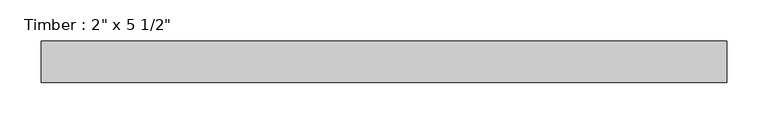
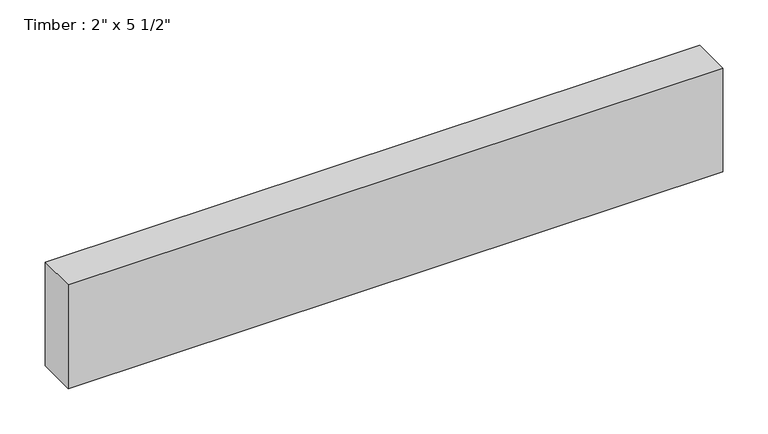
"""IFC4 building model written with IfcOpenShell, lengths in millimetres: beam geometry."""

from ifc_helpers import new_model, si_unit, frame, origin, place, context, project, spatial, polyline, outline, extrude, source, transform, mapped, element, save


def beam_941b5b20(model_context):
    return source(origin(), model_context, "Body", "SweptSolid", [
        extrude(outline(polyline([(416.9051554, 25.4), (416.9051554, -25.4), (-416.9051554, -25.4), (-416.9051554, 25.4), (416.9051554, 25.4)])), frame((0.0, 0.0, -69.85), z_axis=(0.0, 0.0, 1.0), x_axis=(1.0, 0.0, 0.0)), (0.0, 0.0, 1.0), 139.7),
    ])


if __name__ == "__main__":
    model = new_model("IFC4")
    model_context = context("Model", 3, world=origin())
    ifc_project = project(units=[si_unit("LENGTHUNIT", "METRE", prefix="MILLI")], contexts=[model_context])
    site = spatial("IfcSite", under=ifc_project)
    building = spatial("IfcBuilding", under=site)
    placement = place(None, origin())
    beam_shape = beam_941b5b20(model_context)
    element("IfcBeam", 1, ObjectType="Timber : 2\" x 5 1/2\"", at=placement, inside=building, context=model_context, shape_type="MappedRepresentation", body=[
        mapped(beam_shape, transform((0.0, 0.0, 0.0), x_axis=(1.0, 0.0, 0.0), y_axis=(0.0, 1.0, 0.0), z_axis=(0.0, 0.0, 1.0))),
    ])
    save(model, "model.ifc")
